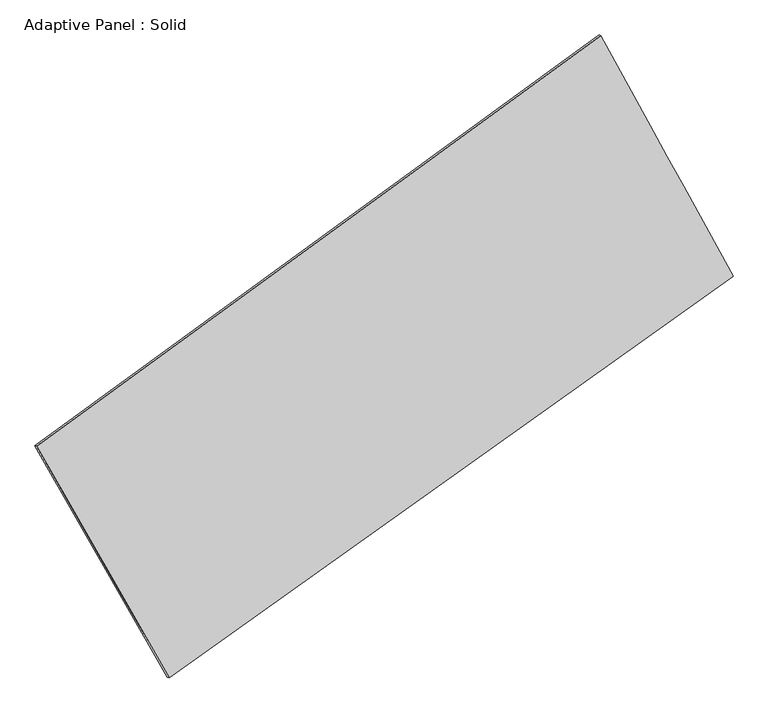
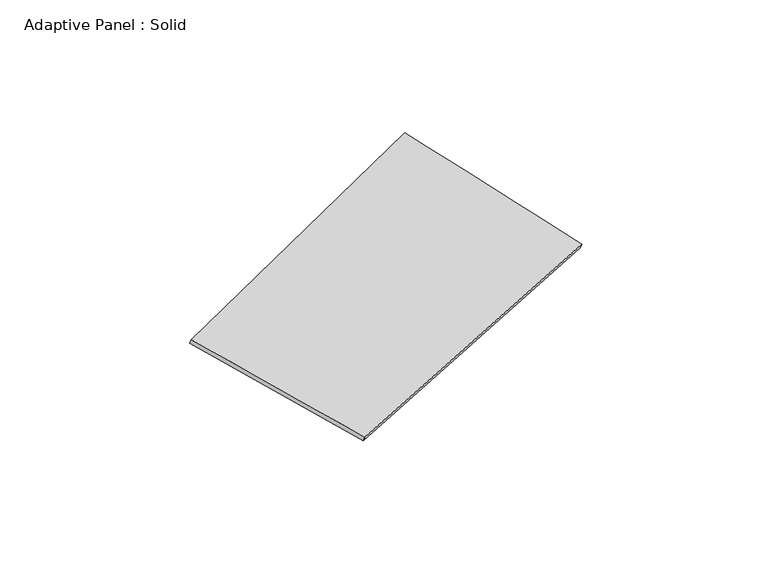
"""IFC4 building model written with IfcOpenShell, lengths in millimetres: plate geometry, Adaptive Panel : Solid."""

from ifc_helpers import new_model, si_unit, frame, origin, place, context, project, spatial, source, transform, mapped, element, save
from ifc_brep_helpers import plane_surface, spline_surface, advanced_brep


def adaptive_panel_solid_47b1007f(model_context):
    return source(origin(), model_context, "Body", "AdvancedBrep", [
        advanced_brep(
        [(1165.5253642, 2620.1446097, 708.4099516), (-3580.2701199, -833.6555838, 1644.8617787), (-3565.6037641, -840.0356772, 1692.2346867), (1180.1917201, 2613.7645163, 755.7828597), (-2466.191038, -2781.5927566, 1106.8078538), (-2451.5246822, -2787.9728501, 1154.1807618), (2277.6452155, 594.8551578, 25.0429361), (2292.3115714, 588.4750644, 72.4158441)],
        [
            (0, 1),
            (1, 2),
            (2, 3),
            (3, 0),
            (1, 4),
            (4, 5),
            (5, 2),
            (4, 6),
            (6, 7),
            (7, 5),
            (6, 0),
            (3, 7),
        ],
        [
            plane_surface(frame((-1207.3723778, 893.244513, 1176.6358652), z_axis=(-0.5304761542684514, 0.8027593621140043, 0.2723462066761192), x_axis=(-0.7984503955876954, -0.5810802720019754, 0.1575521604928454))),
            plane_surface(frame((-3023.230579, -1807.6241702, 1375.8348163), z_axis=(-0.8298656626308349, -0.526020977663901, 0.1860777070038193), x_axis=(0.48278166897226216, -0.8441307037066563, -0.23316349449273252))),
            plane_surface(frame((-94.2729112, -1093.3687994, 565.9253949), z_axis=(0.5168846968724535, -0.8125415494607414, -0.26945582298219), x_axis=(0.8010015142369353, 0.5701166203225868, -0.18265709244945313))),
            plane_surface(frame((1721.5852899, 1607.4998838, 366.7264439), z_axis=(0.8328590480220697, 0.5206779170596606, -0.1877240336616093), x_axis=(-0.46155992866153683, 0.8405501024520492, 0.28361586260610777))),
            spline_surface(1, 1, [[(-3565.6037641, -840.0356772, 1692.2346867), (1180.1917201, 2613.7645163, 755.7828597)], [(-2451.5246822, -2787.9728501, 1154.1807618), (2292.3115714, 588.4750644, 72.4158441)]], [2, 2], [2, 2], [0.0, 1.0], [0.0, 1.0]),
            spline_surface(1, 1, [[(2277.6452155, 594.8551578, 25.0429361), (1165.5253642, 2620.1446097, 708.4099516)], [(-2466.191038, -2781.5927566, 1106.8078538), (-3580.2701199, -833.6555838, 1644.8617787)]], [2, 2], [2, 2], [0.0, 1.0], [0.0, 1.0]),
        ],
        [
            (0, [[1, 2, 3, 4]]),
            (1, [[5, 6, 7, -2]]),
            (2, [[8, 9, 10, -6]]),
            (3, [[11, -4, 12, -9]]),
            (4, [[-3, -7, -10, -12]]),
            (5, [[-11, -8, -5, -1]]),
        ],
    ),
    ])


if __name__ == "__main__":
    model = new_model("IFC4")
    model_context = context("Model", 3, world=origin())
    ifc_project = project(units=[si_unit("LENGTHUNIT", "METRE", prefix="MILLI")], contexts=[model_context])
    site = spatial("IfcSite", under=ifc_project)
    building = spatial("IfcBuilding", under=site)
    placement = place(None, origin())
    adaptive_panel_solid_shape = adaptive_panel_solid_47b1007f(model_context)
    element("IfcPlate", 1, ObjectType="Adaptive Panel : Solid", at=placement, inside=building, context=model_context, shape_type="MappedRepresentation", body=[
        mapped(adaptive_panel_solid_shape, transform((0.0, 0.0, 0.0), x_axis=(1.0, 0.0, 0.0), y_axis=(0.0, 1.0, 0.0), z_axis=(0.0, 0.0, 1.0))),
    ])
    save(model, "model.ifc")
